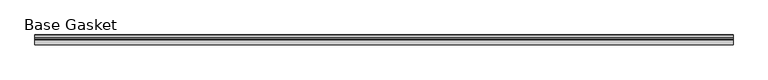
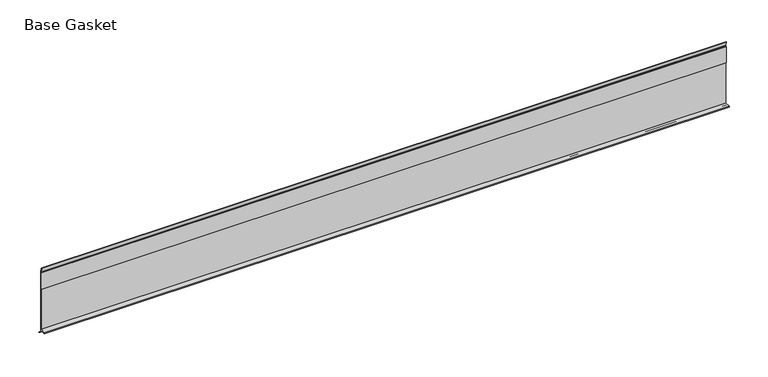
"""IFC4 building model written with IfcOpenShell, lengths in millimetres: furniture geometry, Base Gasket."""

from ifc_helpers import new_model, si_unit, frame, origin, place, context, project, spatial, polyline, outline, extrude, source, transform, mapped, element, save


def base_gasket_703c00b6(model_context):
    return source(origin(), model_context, "Body", "SweptSolid", [
        extrude(outline(polyline([(3.7283812, 98.4568417), (3.7283812, 4.3498477), (7.4222115, 0.6560174), (7.8482342, 0.0), (6.8281054, 0.3520979), (2.2043812, 4.3498477), (2.1334222, 6.3818476), (-6.2405171, 6.3818476), (-6.2405171, 7.9398773), (2.2043812, 7.9398773), (2.2043812, 71.4693447), (1.4106313, 71.4693447), (1.4106313, 96.8693477), (2.2043812, 96.8693477), (2.2043812, 98.4568417), (0.6755308, 104.4162708), (0.6755308, 105.2002997), (1.1891543, 104.587663), (3.7283812, 98.4568417)])), frame((-1527.8982117, 0.0, 0.0), z_axis=(1.0, 0.0, 0.0), x_axis=(0.0, 1.0, 0.0)), (0.0, 0.0, 1.0), 1016.0),
    ])


if __name__ == "__main__":
    model = new_model("IFC4")
    model_context = context("Model", 3, world=origin())
    ifc_project = project(units=[si_unit("LENGTHUNIT", "METRE", prefix="MILLI")], contexts=[model_context])
    site = spatial("IfcSite", under=ifc_project)
    building = spatial("IfcBuilding", under=site)
    placement = place(None, origin())
    base_gasket_shape = base_gasket_703c00b6(model_context)
    element("IfcFurniture", 1, ObjectType="Base Gasket", at=placement, inside=building, context=model_context, shape_type="MappedRepresentation", body=[
        mapped(base_gasket_shape, transform((0.0, 0.0, 0.0), x_axis=(1.0, 0.0, 0.0), y_axis=(0.0, 1.0, 0.0), z_axis=(0.0, 0.0, 1.0))),
    ])
    save(model, "model.ifc")
